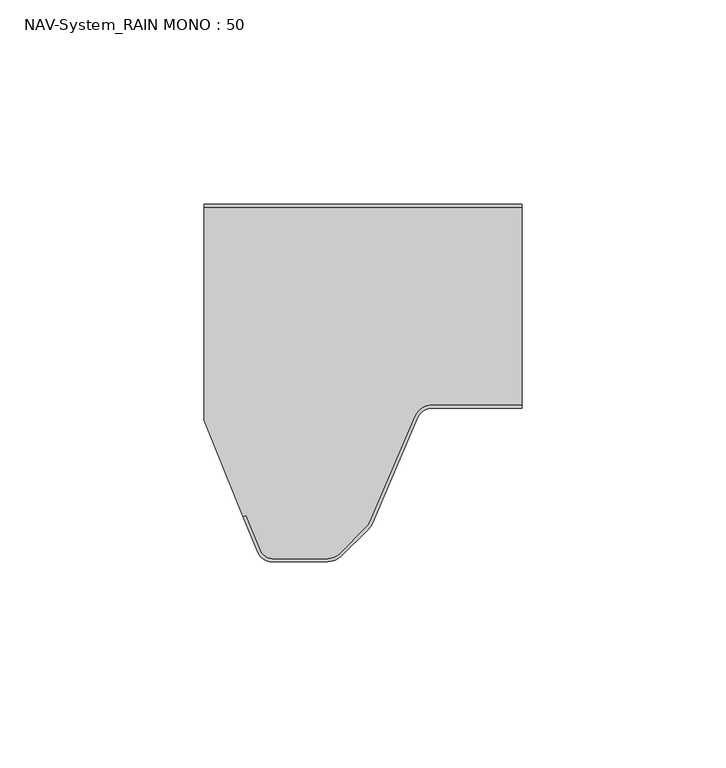
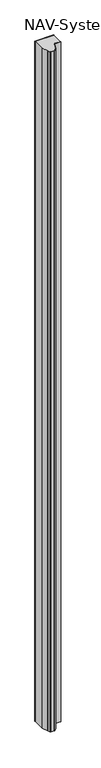
"""IFC4 building model written with IfcOpenShell, lengths in millimetres: plate geometry, NAV-System_RAIN MONO : 50."""

from ifc_helpers import new_model, si_unit, point, frame_2d, origin, origin_with_axes, place, context, project, spatial, polyline, circle_curve, trimmed, segment, composite_curve, outline, extrude, source, transform, mapped, element, save


def nav_system_rain_mono_50_77acf437(model_context):
    return source(origin(), model_context, "Body", "SweptSolid", [
        extrude(outline(polyline([(-28.0, -0.8), (-28.0, 0.0), (50.0, 0.0), (50.0, -0.8), (-28.0, -0.8)])), origin_with_axes(), (0.0, 0.0, 1.0), 3000.0),
        extrude(outline(composite_curve([segment(trimmed(circle_curve(frame_2d((28.0709249, -54.0)), 4.8), [point((28.0709249, -49.2))], [point((23.6607271, -52.1052295))], True, "CARTESIAN"), True, "CONTINUOUS"), segment(polyline([(23.6607271, -52.1052295), (12.5754349, -77.9069459)]), True, "CONTINUOUS"), segment(trimmed(circle_curve(frame_2d((8.7165118, -76.2490217)), 4.2), [point((12.5754349, -77.9069459))], [point((11.6863603, -79.2188701))], False, "CARTESIAN"), True, "CONTINUOUS"), segment(polyline([(11.6863603, -79.2188701), (5.235382, -85.6698485)]), True, "CONTINUOUS"), segment(trimmed(circle_curve(frame_2d((2.2655335, -82.7)), 4.2), [point((5.235382, -85.6698485))], [point((2.2655335, -86.9))], False, "CARTESIAN"), True, "CONTINUOUS"), segment(polyline([(2.2655335, -86.9), (-11.1405186, -86.9)]), True, "CONTINUOUS"), segment(trimmed(circle_curve(frame_2d((-11.1405186, -83.7)), 3.2), [point((-11.1405186, -86.9))], [point((-14.1022482, -84.9116756))], False, "CARTESIAN"), True, "CONTINUOUS"), segment(polyline([(-14.1022482, -84.9116756), (-17.6292254, -76.2905951), (-18.3696578, -76.593514), (-28.0, -53.053822), (-28.0, -0.8), (50.0, -0.8), (50.0, -49.2), (28.0709249, -49.2)]), True, "CONTINUOUS")], self_intersect=False)), origin_with_axes(), (0.0, 0.0, 1.0), 3000.0),
        extrude(outline(composite_curve([segment(polyline([(-14.8430228, -85.2145945), (-18.37, -76.593514), (-17.6295676, -76.2905951), (-14.1025904, -84.9116756)]), True, "CONTINUOUS"), segment(trimmed(circle_curve(frame_2d((-11.1408608, -83.7)), 3.2), [point((-14.1025904, -84.9116756))], [point((-11.1408608, -86.9))], True, "CARTESIAN"), True, "CONTINUOUS"), segment(polyline([(-11.1408608, -86.9), (2.2651913, -86.9)]), True, "CONTINUOUS"), segment(trimmed(circle_curve(frame_2d((2.2651913, -82.7)), 4.2), [point((2.2651913, -86.9))], [point((5.2350397, -85.6698485))], True, "CARTESIAN"), True, "CONTINUOUS"), segment(polyline([(5.2350397, -85.6698485), (11.6860181, -79.2188701)]), True, "CONTINUOUS"), segment(trimmed(circle_curve(frame_2d((8.7161696, -76.2490217)), 4.2), [point((11.6860181, -79.2188701))], [point((12.5750927, -77.9069459))], True, "CARTESIAN"), True, "CONTINUOUS"), segment(polyline([(12.5750927, -77.9069459), (23.6603849, -52.1052295)]), True, "CONTINUOUS"), segment(trimmed(circle_curve(frame_2d((28.0705827, -54.0)), 4.8), [point((23.6603849, -52.1052295))], [point((28.0705827, -49.2))], False, "CARTESIAN"), True, "CONTINUOUS"), segment(polyline([(28.0705827, -49.2), (50.0, -49.2), (50.0, -50.0), (28.0705827, -50.0)]), True, "CONTINUOUS"), segment(trimmed(circle_curve(frame_2d((28.0705827, -54.0)), 4.0), [point((28.0705827, -50.0))], [point((24.3954178, -52.4210246))], True, "CARTESIAN"), True, "CONTINUOUS"), segment(polyline([(24.3954178, -52.4210246), (13.3101256, -78.2227409)]), True, "CONTINUOUS"), segment(trimmed(circle_curve(frame_2d((8.7161696, -76.2490217)), 5.0), [point((13.3101256, -78.2227409))], [point((12.2517035, -79.7845556))], False, "CARTESIAN"), True, "CONTINUOUS"), segment(polyline([(12.2517035, -79.7845556), (5.8007252, -86.2355339)]), True, "CONTINUOUS"), segment(trimmed(circle_curve(frame_2d((2.2651913, -82.7)), 5.0), [point((5.8007252, -86.2355339))], [point((2.2651913, -87.7))], False, "CARTESIAN"), True, "CONTINUOUS"), segment(polyline([(2.2651913, -87.7), (-11.1408608, -87.7)]), True, "CONTINUOUS"), segment(trimmed(circle_curve(frame_2d((-11.1408608, -83.7)), 4.0), [point((-11.1408608, -87.7))], [point((-14.8430228, -85.2145945))], False, "CARTESIAN"), True, "CONTINUOUS")], self_intersect=False)), origin_with_axes(), (0.0, 0.0, 1.0), 3000.0),
    ])


if __name__ == "__main__":
    model = new_model("IFC4")
    model_context = context("Model", 3, world=origin())
    ifc_project = project(units=[si_unit("LENGTHUNIT", "METRE", prefix="MILLI")], contexts=[model_context])
    site = spatial("IfcSite", under=ifc_project)
    building = spatial("IfcBuilding", under=site)
    placement = place(None, origin())
    nav_system_rain_mono_50_shape = nav_system_rain_mono_50_77acf437(model_context)
    element("IfcPlate", 1, ObjectType="NAV-System_RAIN MONO : 50", at=placement, inside=building, context=model_context, shape_type="MappedRepresentation", body=[
        mapped(nav_system_rain_mono_50_shape, transform((0.0, 0.0, 0.0), x_axis=(1.0, 0.0, 0.0), y_axis=(0.0, 1.0, 0.0), z_axis=(0.0, 0.0, 1.0))),
    ])
    save(model, "model.ifc")
